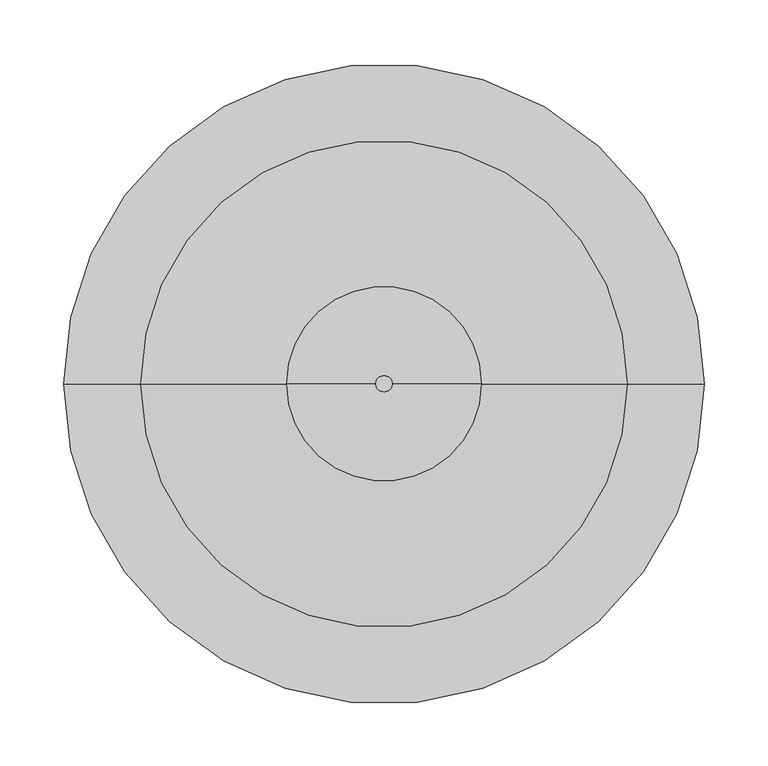
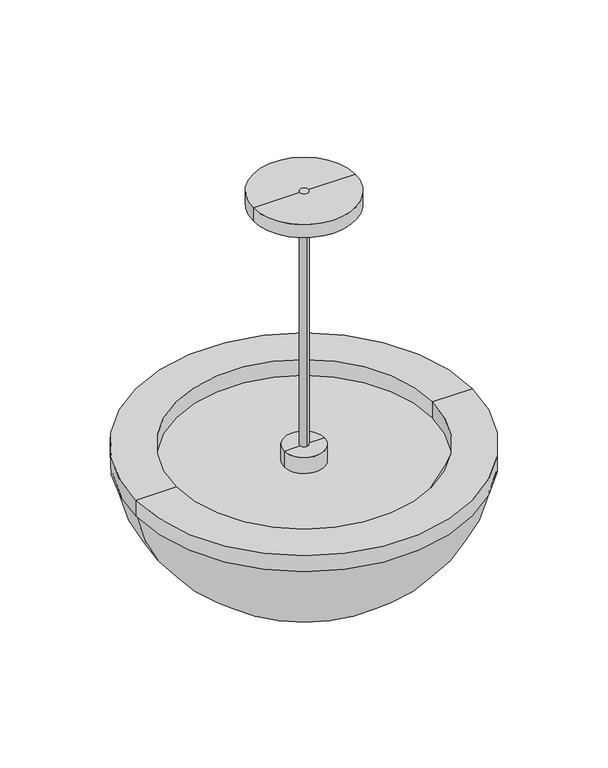
"""IFC4 building model written with IfcOpenShell, lengths in millimetres: light fixture geometry."""

from ifc_helpers import new_model, si_unit, point, frame, origin, origin_2d, place, context, project, spatial, polyline, circle_curve, ellipse_curve, trimmed, segment, composite_curve, outline, extrude, source, transform, mapped, element, save
from ifc_brep_helpers import plane_surface, cylinder_surface, revolved_surface, advanced_brep


def light_fixture_7500e325(model_context):
    return source(origin(), model_context, "Body", "SolidModel", [
        advanced_brep(
        [(191.2139957, 0.0, -425.0), (-191.2139957, 0.0, -425.0), (-251.2139957, 0.0, -425.0), (251.2139957, 0.0, -425.0), (191.2139957, 0.0, -400.0), (-191.2139957, 0.0, -400.0), (251.2139957, 0.0, -400.0), (-251.2139957, 0.0, -400.0)],
        [
            (0, 1, circle_curve(frame((0.0, 0.0, -425.0), z_axis=(0.0, 0.0, 1.0), x_axis=(-1.0, 0.0, 0.0)), 191.2139957)),
            (1, 2),
            (2, 3, circle_curve(frame((0.0, 0.0, -425.0), z_axis=(0.0, 0.0, -1.0), x_axis=(-1.0, 0.0, 0.0)), 251.2139957)),
            (3, 0),
            (1, 0, circle_curve(frame((0.0, 0.0, -425.0), z_axis=(0.0, 0.0, 1.0), x_axis=(-1.0, 0.0, 0.0)), 191.2139957)),
            (3, 2, circle_curve(frame((0.0, 0.0, -425.0), z_axis=(0.0, 0.0, -1.0), x_axis=(-1.0, 0.0, 0.0)), 251.2139957)),
            (4, 5, circle_curve(frame((0.0, 0.0, -400.0), z_axis=(0.0, 0.0, 1.0), x_axis=(-1.0, 0.0, 0.0)), 191.2139957)),
            (5, 1),
            (0, 4),
            (5, 4, circle_curve(frame((0.0, 0.0, -400.0), z_axis=(0.0, 0.0, 1.0), x_axis=(-1.0, 0.0, 0.0)), 191.2139957)),
            (6, 7, circle_curve(frame((0.0, 0.0, -400.0), z_axis=(0.0, 0.0, 1.0), x_axis=(-1.0, 0.0, 0.0)), 251.2139957)),
            (7, 5),
            (4, 6),
            (7, 6, circle_curve(frame((0.0, 0.0, -400.0), z_axis=(0.0, 0.0, 1.0), x_axis=(-1.0, 0.0, 0.0)), 251.2139957)),
            (2, 7),
            (6, 3),
        ],
        [
            plane_surface(frame((0.0, 0.0, -425.0), z_axis=(0.0, 0.0, -1.0), x_axis=(-1.0, 0.0, 0.0))),
            revolved_surface(polyline([(-191.2139957, 0.0, -425.0), (-191.2139957, 0.0, -400.0)]), (0.0, 0.0, 45.0), (0.0, 0.0, -1.0)),
            plane_surface(frame((0.0, 0.0, -400.0), z_axis=(0.0, 0.0, 1.0), x_axis=(-1.0, 0.0, 0.0))),
            cylinder_surface(frame((0.0, 0.0, 45.0), z_axis=(0.0, 0.0, -1.0), x_axis=(-1.0, 0.0, 0.0)), 251.2139957),
        ],
        [
            (0, [[1, 2, 3, 4]]),
            (0, [[5, -4, 6, -2]]),
            (1, [[7, 8, -1, 9]]),
            (1, [[10, -9, -5, -8]]),
            (2, [[11, 12, -7, 13]]),
            (2, [[14, -13, -10, -12]]),
            (3, [[-3, 15, -11, 16]]),
            (3, [[-6, -16, -14, -15]]),
        ],
    ),
        advanced_brep(
        [(30.0, 0.0, -425.0), (-30.0, 0.0, -425.0), (-30.0, 0.0, -400.0), (30.0, 0.0, -400.0), (0.0, 0.0, -425.0), (0.0, 0.0, -400.0)],
        [
            (0, 1, circle_curve(frame((0.0, 0.0, -425.0), z_axis=(0.0, 0.0, 1.0), x_axis=(-1.0, 0.0, 0.0)), 30.0)),
            (1, 2),
            (2, 3, circle_curve(frame((0.0, 0.0, -400.0), z_axis=(0.0, 0.0, -1.0), x_axis=(-1.0, 0.0, 0.0)), 30.0)),
            (3, 0),
            (1, 0, circle_curve(frame((0.0, 0.0, -425.0), z_axis=(0.0, 0.0, 1.0), x_axis=(-1.0, 0.0, 0.0)), 30.0)),
            (3, 2, circle_curve(frame((0.0, 0.0, -400.0), z_axis=(0.0, 0.0, -1.0), x_axis=(-1.0, 0.0, 0.0)), 30.0)),
            (4, 1),
            (0, 4),
            (2, 5),
            (5, 3),
        ],
        [
            cylinder_surface(frame((0.0, 0.0, 45.0), z_axis=(0.0, 0.0, -1.0), x_axis=(-1.0, 0.0, 0.0)), 30.0),
            plane_surface(frame((0.0, 0.0, -425.0), z_axis=(0.0, 0.0, -1.0), x_axis=(-1.0, 0.0, 0.0))),
            plane_surface(frame((0.0, 0.0, -400.0), z_axis=(0.0, 0.0, 1.0), x_axis=(-1.0, 0.0, 0.0))),
        ],
        [
            (0, [[1, 2, 3, 4]]),
            (0, [[5, -4, 6, -2]]),
            (1, [[7, -1, 8]]),
            (1, [[-8, -5, -7]]),
            (2, [[-3, 9, 10]]),
            (2, [[-6, -10, -9]]),
        ],
    ),
        extrude(outline(composite_curve([segment(trimmed(circle_curve(origin_2d(), 6.35), [point((0.0, 6.35))], [point((0.0, -6.35))], False, "CARTESIAN"), True, "CONTINUOUS"), segment(trimmed(circle_curve(origin_2d(), 6.35), [point((0.0, -6.35))], [point((0.0, 6.35))], False, "CARTESIAN"), True, "CONTINUOUS")], self_intersect=False)), frame((0.0, 0.0, -425.0), z_axis=(0.0, 0.0, 1.0), x_axis=(1.0, 0.0, 0.0)), (0.0, 0.0, 1.0), 425.0),
        advanced_brep(
        [(30.0, 0.0, -610.2932426), (-30.0, 0.0, -610.2932426), (-250.0, 0.0, -425.0), (250.0, 0.0, -425.0), (0.0, 0.0, -610.2932426), (30.0, 0.0, -603.4520715), (-30.0, 0.0, -603.4520715), (0.0, 0.0, -603.4520715), (243.0544838, 0.0, -425.0), (-243.0544838, 0.0, -425.0)],
        [
            (0, 1, circle_curve(frame((0.0, 0.0, -610.2932426), z_axis=(0.0, 0.0, 1.0), x_axis=(-1.0, 0.0, 0.0)), 30.0)),
            (1, 2, circle_curve(frame((-30.0, 0.0, -387.0428299), z_axis=(0.0, 1.0, 0.0), x_axis=(0.0, 0.0, -1.0)), 223.2504127)),
            (2, 3, circle_curve(frame((0.0, 0.0, -425.0), z_axis=(0.0, 0.0, -1.0), x_axis=(-1.0, 0.0, 0.0)), 250.0)),
            (3, 0, circle_curve(frame((30.0, 0.0, -387.0428299), z_axis=(0.0, 1.0, 0.0), x_axis=(0.0, 0.0, -1.0)), 223.2504127)),
            (1, 0, circle_curve(frame((0.0, 0.0, -610.2932426), z_axis=(0.0, 0.0, 1.0), x_axis=(-1.0, 0.0, 0.0)), 30.0)),
            (3, 2, circle_curve(frame((0.0, 0.0, -425.0), z_axis=(0.0, 0.0, -1.0), x_axis=(-1.0, 0.0, 0.0)), 250.0)),
            (4, 1),
            (0, 4),
            (5, 6, circle_curve(frame((0.0, 0.0, -603.4520715), z_axis=(0.0, 0.0, 1.0), x_axis=(-1.0, 0.0, 0.0)), 30.0)),
            (6, 7),
            (7, 5),
            (6, 5, circle_curve(frame((0.0, 0.0, -603.4520715), z_axis=(0.0, 0.0, 1.0), x_axis=(-1.0, 0.0, 0.0)), 30.0)),
            (8, 9, circle_curve(frame((0.0, 0.0, -425.0), z_axis=(0.0, 0.0, 1.0), x_axis=(-1.0, 0.0, 0.0)), 243.0544838)),
            (9, 6, circle_curve(frame((-30.0, 0.0, -387.0428299), z_axis=(0.0, -1.0, 0.0), x_axis=(0.0, 0.0, -1.0)), 216.4092416)),
            (5, 8, circle_curve(frame((30.0, 0.0, -387.0428299), z_axis=(0.0, -1.0, 0.0), x_axis=(0.0, 0.0, -1.0)), 216.4092416)),
            (9, 8, circle_curve(frame((0.0, 0.0, -425.0), z_axis=(0.0, 0.0, 1.0), x_axis=(-1.0, 0.0, 0.0)), 243.0544838)),
            (2, 9),
            (8, 3),
        ],
        [
            revolved_surface(trimmed(ellipse_curve(frame((-30.0, 0.0, -387.0428299), z_axis=(0.0, -1.0, 0.0), x_axis=(0.0, 0.0, -1.0)), 223.2504127, 223.2504127), [point((-250.0, 0.0, -425.0))], [point((-30.0, 0.0, -610.2932426))], True, "CARTESIAN"), (0.0, 0.0, -610.3561635), (0.0, 0.0, -1.0)),
            plane_surface(frame((0.0, 0.0, -610.2932426), z_axis=(0.0, 0.0, -1.0), x_axis=(-1.0, 0.0, 0.0))),
            plane_surface(frame((0.0, 0.0, -603.4520715), z_axis=(0.0, 0.0, 1.0), x_axis=(-1.0, 0.0, 0.0))),
            revolved_surface(trimmed(ellipse_curve(frame((-30.0, 0.0, -387.0428299), z_axis=(0.0, 1.0, 0.0), x_axis=(0.0, 0.0, -1.0)), 216.4092416, 216.4092416), [point((-30.0, 0.0, -603.4520715))], [point((-243.0544838, 0.0, -425.0))], True, "CARTESIAN"), (0.0, 0.0, -610.3561635), (0.0, 0.0, -1.0)),
            plane_surface(frame((0.0, 0.0, -425.0), z_axis=(0.0, 0.0, 1.0), x_axis=(-1.0, 0.0, 0.0))),
        ],
        [
            (0, [[1, 2, 3, 4]]),
            (0, [[5, -4, 6, -2]]),
            (1, [[7, -1, 8]]),
            (1, [[-8, -5, -7]]),
            (2, [[9, 10, 11]]),
            (2, [[12, -11, -10]]),
            (3, [[13, 14, -9, 15]]),
            (3, [[16, -15, -12, -14]]),
            (4, [[-3, 17, -13, 18]]),
            (4, [[-6, -18, -16, -17]]),
        ],
    ),
        advanced_brep(
        [(76.2, 0.0, -20.4), (-76.2, 0.0, -20.4), (-76.2, 0.0, 0.0), (76.2, 0.0, 0.0), (0.0, 0.0, -55.9326436), (0.0, 0.0, 0.0)],
        [
            (0, 1, circle_curve(frame((0.0, 0.0, -20.4), z_axis=(0.0, 0.0, 1.0), x_axis=(-1.0, 0.0, 0.0)), 76.2)),
            (1, 2),
            (2, 3, circle_curve(frame((0.0, 0.0, 0.0), z_axis=(0.0, 0.0, -1.0), x_axis=(-1.0, 0.0, 0.0)), 76.2)),
            (3, 0),
            (1, 0, circle_curve(frame((0.0, 0.0, -20.4), z_axis=(0.0, 0.0, 1.0), x_axis=(-1.0, 0.0, 0.0)), 76.2)),
            (3, 2, circle_curve(frame((0.0, 0.0, 0.0), z_axis=(0.0, 0.0, -1.0), x_axis=(-1.0, 0.0, 0.0)), 76.2)),
            (4, 1),
            (0, 4),
            (2, 5),
            (5, 3),
        ],
        [
            cylinder_surface(frame((0.0, 0.0, 81.2), z_axis=(0.0, 0.0, -1.0), x_axis=(-1.0, 0.0, 0.0)), 76.2),
            revolved_surface(polyline([(-76.2, 0.0, -20.4), (0.0, 0.0, -55.9326436)]), (0.0, 0.0, 81.2), (0.0, 0.0, -1.0)),
            plane_surface(frame((0.0, 0.0, 0.0), z_axis=(0.0, 0.0, 1.0), x_axis=(-1.0, 0.0, 0.0))),
        ],
        [
            (0, [[1, 2, 3, 4]]),
            (0, [[5, -4, 6, -2]]),
            (1, [[7, -1, 8]]),
            (1, [[-8, -5, -7]]),
            (2, [[-3, 9, 10]]),
            (2, [[-6, -10, -9]]),
        ],
    ),
    ])


if __name__ == "__main__":
    model = new_model("IFC4")
    model_context = context("Model", 3, world=origin())
    ifc_project = project(units=[si_unit("LENGTHUNIT", "METRE", prefix="MILLI")], contexts=[model_context])
    site = spatial("IfcSite", under=ifc_project)
    building = spatial("IfcBuilding", under=site)
    placement = place(None, origin())
    light_fixture_shape = light_fixture_7500e325(model_context)
    element("IfcLightFixture", 1, at=placement, inside=building, context=model_context, shape_type="MappedRepresentation", body=[
        mapped(light_fixture_shape, transform((0.0, 0.0, 0.0), x_axis=(1.0, 0.0, 0.0), y_axis=(0.0, 1.0, 0.0), z_axis=(0.0, 0.0, 1.0))),
    ])
    save(model, "model.ifc")
